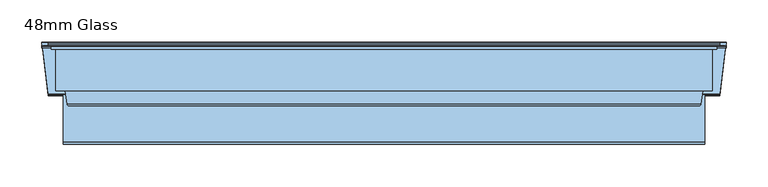
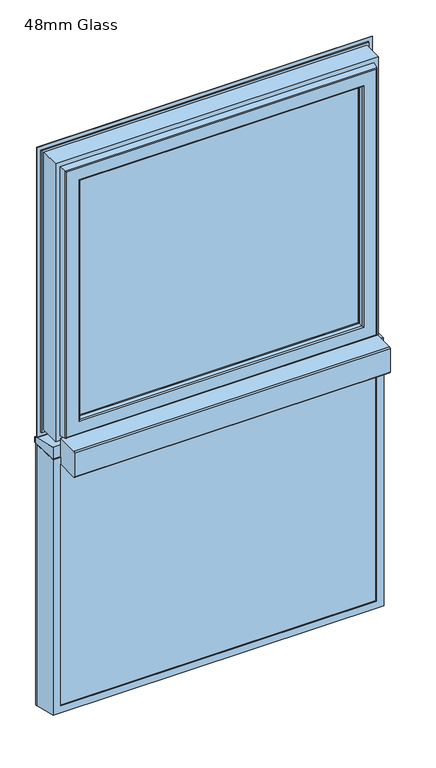
"""IFC4 building model written with IfcOpenShell, lengths in millimetres: window geometry, 48mm Glass."""

from ifc_helpers import new_model, si_unit, frame, origin, place, context, project, spatial, polyline, circle_curve, ellipse_curve, outline, extrude, source, transform, mapped, element, save
from ifc_brep_helpers import plane_surface, cylinder_surface, revolved_surface, advanced_brep


def window_48mm_glass_c2c763e5(model_context):
    return source(origin(), model_context, "Body", "SolidModel", [
        extrude(outline(polyline([(396.0, 93.0), (-396.0, 93.0), (-396.0, 141.0), (396.0, 141.0), (396.0, 93.0)])), frame((0.0, 0.0, 848.0), z_axis=(0.0, 0.0, 1.0), x_axis=(1.0, 0.0, 0.0)), (0.0, 0.0, 1.0), 646.04),
        advanced_brep(
        [(382.0, 142.3448353, 1480.04), (384.8884017, 151.7923717, 1482.9284017), (384.8884017, 151.7923717, 859.1115983), (382.0, 142.3448353, 862.0), (382.0, 141.0, 1480.04), (382.0, 141.0, 862.0), (396.0, 93.0, 1494.04), (396.0, 141.0, 1494.04), (396.0, 141.0, 848.0), (396.0, 93.0, 848.0), (382.0, 90.0, 1480.04), (382.0, 93.0, 1480.04), (382.0, 93.0, 862.0), (382.0, 90.0, 862.0), (406.822025, 145.5609347, 1504.862025), (400.0, 90.0, 1498.04), (400.0, 90.0, 844.0), (406.822025, 145.5609347, 837.177975), (407.6, 147.2, 1505.64), (407.6, 147.2, 836.4), (407.6, 150.5, 1505.64), (407.6, 150.5, 836.4), (403.22, 151.5, 1501.26), (403.22, 150.5, 1501.26), (403.22, 150.5, 840.78), (403.22, 151.5, 840.78), (402.22, 152.5, 1500.26), (402.22, 152.5, 841.78), (385.8447065, 152.5, 1483.8847065), (385.8447065, 152.5, 858.1552935), (-384.8884017, 151.7923717, 859.1115983), (-382.0, 142.3448353, 862.0), (-382.0, 141.0, 862.0), (-396.0, 141.0, 848.0), (-396.0, 93.0, 848.0), (-382.0, 93.0, 862.0), (-382.0, 90.0, 862.0), (-400.0, 90.0, 844.0), (-406.822025, 145.5609347, 837.177975), (-407.6, 147.2, 836.4), (-407.6, 150.5, 836.4), (-403.22, 150.5, 840.78), (-403.22, 151.5, 840.78), (-402.22, 152.5, 841.78), (-385.8447065, 152.5, 858.1552935), (-384.8884017, 151.7923717, 1482.9284017), (-382.0, 142.3448353, 1480.04), (-382.0, 141.0, 1480.04), (-396.0, 141.0, 1494.04), (-396.0, 93.0, 1494.04), (-382.0, 93.0, 1480.04), (-382.0, 90.0, 1480.04), (-400.0, 90.0, 1498.04), (-406.822025, 145.5609347, 1504.862025), (-407.6, 147.2, 1505.64), (-407.6, 150.5, 1505.64), (-403.22, 150.5, 1501.26), (-403.22, 151.5, 1501.26), (-402.22, 152.5, 1500.26), (-385.8447065, 152.5, 1483.8847065)],
        [
            (0, 1),
            (1, 2),
            (2, 3),
            (3, 0),
            (4, 0),
            (3, 5),
            (5, 4),
            (6, 7),
            (7, 8),
            (8, 9),
            (9, 6),
            (10, 11),
            (11, 12),
            (12, 13),
            (13, 10),
            (14, 15),
            (15, 16),
            (16, 17),
            (17, 14),
            (18, 14),
            (17, 19),
            (19, 18),
            (20, 18),
            (19, 21),
            (21, 20),
            (22, 23),
            (23, 24),
            (24, 25),
            (25, 22),
            (26, 22, ellipse_curve(frame((402.22, 151.5, 1500.26), z_axis=(0.7071067811865475, 0.0, -0.7071067811865475), x_axis=(0.7071067811865474, 0.0, 0.7071067811865476)), 1.4142136, 1.0)),
            (25, 27, ellipse_curve(frame((402.22, 151.5, 841.78), z_axis=(0.7071067811865475, 0.0, 0.7071067811865475), x_axis=(-0.7071067811865474, 0.0, 0.7071067811865476)), 1.4142136, 1.0)),
            (27, 26),
            (1, 28, ellipse_curve(frame((385.8447065, 151.5, 1483.8847065), z_axis=(0.7071067811865475, 0.0, -0.7071067811865475), x_axis=(0.7071067811865474, 0.0, 0.7071067811865476)), 1.4142136, 1.0)),
            (28, 29),
            (29, 2, ellipse_curve(frame((385.8447065, 151.5, 858.1552935), z_axis=(0.7071067811865475, 0.0, 0.7071067811865475), x_axis=(-0.7071067811865474, 0.0, 0.7071067811865476)), 1.4142136, 1.0)),
            (2, 30),
            (30, 31),
            (31, 3),
            (31, 32),
            (32, 5),
            (8, 33),
            (33, 34),
            (34, 9),
            (12, 35),
            (35, 36),
            (36, 13),
            (16, 37),
            (37, 38),
            (38, 17),
            (38, 39),
            (39, 19),
            (39, 40),
            (40, 21),
            (24, 41),
            (41, 42),
            (42, 25),
            (42, 43, ellipse_curve(frame((-402.22, 151.5, 841.78), z_axis=(0.7071067811865475, 0.0, -0.7071067811865475), x_axis=(0.7071067811865476, 0.0, 0.7071067811865474)), 1.4142136, 1.0)),
            (43, 27),
            (29, 44),
            (44, 30, ellipse_curve(frame((-385.8447065, 151.5, 858.1552935), z_axis=(0.7071067811865475, 0.0, -0.7071067811865475), x_axis=(0.7071067811865476, 0.0, 0.7071067811865474)), 1.4142136, 1.0)),
            (30, 45),
            (45, 46),
            (46, 31),
            (46, 47),
            (47, 32),
            (33, 48),
            (48, 49),
            (49, 34),
            (35, 50),
            (50, 51),
            (51, 36),
            (37, 52),
            (52, 53),
            (53, 38),
            (53, 54),
            (54, 39),
            (54, 55),
            (55, 40),
            (41, 56),
            (56, 57),
            (57, 42),
            (57, 58, ellipse_curve(frame((-402.22, 151.5, 1500.26), z_axis=(-0.7071067811865475, 0.0, -0.7071067811865475), x_axis=(0.7071067811865474, 0.0, -0.7071067811865476)), 1.4142136, 1.0)),
            (58, 43),
            (44, 59),
            (59, 45, ellipse_curve(frame((-385.8447065, 151.5, 1483.8847065), z_axis=(-0.7071067811865475, 0.0, -0.7071067811865475), x_axis=(0.7071067811865474, 0.0, -0.7071067811865476)), 1.4142136, 1.0)),
            (45, 1),
            (0, 46),
            (4, 47),
            (7, 48),
            (6, 49),
            (11, 50),
            (10, 51),
            (15, 52),
            (14, 53),
            (18, 54),
            (20, 55),
            (23, 56),
            (22, 57),
            (26, 58),
            (28, 59),
        ],
        [
            plane_surface(frame((384.8884017, 151.7923717, 1482.9284017), z_axis=(-0.9563047559630347, 0.29237170472273977, 0.0), x_axis=(0.0, 0.0, -1.0))),
            plane_surface(frame((382.0, 142.3448353, 1480.04), z_axis=(-1.0, 0.0, 0.0), x_axis=(0.0, 0.0, -1.0))),
            plane_surface(frame((396.0, 141.0, 1494.04), z_axis=(-1.0, 0.0, 0.0), x_axis=(0.0, 0.0, -1.0))),
            plane_surface(frame((382.0, 93.0, 1480.04), z_axis=(-1.0, 0.0, 0.0), x_axis=(0.0, 0.0, -1.0))),
            plane_surface(frame((400.0, 90.0, 1498.04), z_axis=(0.9925461516413231, -0.12186934340513905, 0.0), x_axis=(0.0, 0.0, -1.0))),
            plane_surface(frame((406.822025, 145.5609347, 1504.862025), z_axis=(0.9034015732556399, -0.4287955193786835, 0.0), x_axis=(0.0, 0.0, -1.0))),
            plane_surface(frame((407.6, 147.2, 1505.64), z_axis=(1.0, 0.0, 0.0), x_axis=(0.0, 0.0, -1.0))),
            plane_surface(frame((403.22, 150.5, 1501.26), z_axis=(1.0, 0.0, 0.0), x_axis=(0.0, 0.0, -1.0))),
            cylinder_surface(frame((402.22, 151.5, 1530.04), z_axis=(0.0, 0.0, 1.0), x_axis=(0.0, -1.0, 0.0)), 1.0),
            cylinder_surface(frame((385.8447065, 151.5, 1530.04), z_axis=(0.0, 0.0, 1.0), x_axis=(0.0, -1.0, 0.0)), 1.0),
            plane_surface(frame((384.8884017, 151.7923717, 859.1115983), z_axis=(0.0, 0.29237170472273977, 0.9563047559630347), x_axis=(-1.0, 0.0, 0.0))),
            plane_surface(frame((382.0, 142.3448353, 862.0), z_axis=(0.0, 0.0, 1.0), x_axis=(-1.0, 0.0, 0.0))),
            plane_surface(frame((396.0, 141.0, 848.0), z_axis=(0.0, 0.0, 1.0), x_axis=(-1.0, 0.0, 0.0))),
            plane_surface(frame((382.0, 93.0, 862.0), z_axis=(0.0, 0.0, 1.0), x_axis=(-1.0, 0.0, 0.0))),
            plane_surface(frame((400.0, 90.0, 844.0), z_axis=(0.0, -0.12186934340513905, -0.9925461516413231), x_axis=(-1.0, 0.0, 0.0))),
            plane_surface(frame((406.822025, 145.5609347, 837.177975), z_axis=(0.0, -0.4287955193786835, -0.9034015732556399), x_axis=(-1.0, 0.0, 0.0))),
            plane_surface(frame((407.6, 147.2, 836.4), z_axis=(0.0, 0.0, -1.0), x_axis=(-1.0, 0.0, 0.0))),
            plane_surface(frame((403.22, 150.5, 840.78), z_axis=(0.0, 0.0, -1.0), x_axis=(-1.0, 0.0, 0.0))),
            cylinder_surface(frame((432.0, 151.5, 841.78), z_axis=(1.0, 0.0, 0.0), x_axis=(0.0, -1.0, 0.0)), 1.0),
            cylinder_surface(frame((432.0, 151.5, 858.1552935), z_axis=(1.0, 0.0, 0.0), x_axis=(0.0, -1.0, 0.0)), 1.0),
            plane_surface(frame((-384.8884017, 151.7923717, 859.1115983), z_axis=(0.9563047559630347, 0.29237170472273977, 0.0), x_axis=(0.0, 0.0, 1.0))),
            plane_surface(frame((-382.0, 142.3448353, 862.0), z_axis=(1.0, 0.0, 0.0), x_axis=(0.0, 0.0, 1.0))),
            plane_surface(frame((-396.0, 141.0, 848.0), z_axis=(1.0, 0.0, 0.0), x_axis=(0.0, 0.0, 1.0))),
            plane_surface(frame((-382.0, 93.0, 862.0), z_axis=(1.0, 0.0, 0.0), x_axis=(0.0, 0.0, 1.0))),
            plane_surface(frame((-400.0, 90.0, 844.0), z_axis=(-0.9925461516413231, -0.12186934340513905, 0.0), x_axis=(0.0, 0.0, 1.0))),
            plane_surface(frame((-406.822025, 145.5609347, 837.177975), z_axis=(-0.9034015732556399, -0.4287955193786835, 0.0), x_axis=(0.0, 0.0, 1.0))),
            plane_surface(frame((-407.6, 147.2, 836.4), z_axis=(-1.0, 0.0, 0.0), x_axis=(0.0, 0.0, 1.0))),
            plane_surface(frame((-403.22, 150.5, 840.78), z_axis=(-1.0, 0.0, 0.0), x_axis=(0.0, 0.0, 1.0))),
            cylinder_surface(frame((-402.22, 151.5, 812.0), z_axis=(0.0, 0.0, -1.0), x_axis=(0.0, -1.0, 0.0)), 1.0),
            cylinder_surface(frame((-385.8447065, 151.5, 812.0), z_axis=(0.0, 0.0, -1.0), x_axis=(0.0, -1.0, 0.0)), 1.0),
            plane_surface(frame((-384.8884017, 151.7923717, 1482.9284017), z_axis=(0.0, 0.29237170472273977, -0.9563047559630347), x_axis=(1.0, 0.0, 0.0))),
            plane_surface(frame((-382.0, 142.3448353, 1480.04), z_axis=(0.0, 0.0, -1.0), x_axis=(1.0, 0.0, 0.0))),
            plane_surface(frame((-382.0, 141.0, 1480.04), z_axis=(0.0, -1.0, 0.0), x_axis=(1.0, 0.0, 0.0))),
            plane_surface(frame((-396.0, 141.0, 1494.04), z_axis=(0.0, 0.0, -1.0), x_axis=(1.0, 0.0, 0.0))),
            plane_surface(frame((-396.0, 93.0, 1494.04), z_axis=(0.0, 1.0, 0.0), x_axis=(1.0, 0.0, 0.0))),
            plane_surface(frame((-382.0, 93.0, 1480.04), z_axis=(0.0, 0.0, -1.0), x_axis=(1.0, 0.0, 0.0))),
            plane_surface(frame((-382.0, 90.0, 1480.04), z_axis=(0.0, -1.0, 0.0), x_axis=(1.0, 0.0, 0.0))),
            plane_surface(frame((-400.0, 90.0, 1498.04), z_axis=(0.0, -0.12186934340513905, 0.9925461516413231), x_axis=(1.0, 0.0, 0.0))),
            plane_surface(frame((-406.822025, 145.5609347, 1504.862025), z_axis=(0.0, -0.4287955193786835, 0.9034015732556399), x_axis=(1.0, 0.0, 0.0))),
            plane_surface(frame((-407.6, 147.2, 1505.64), z_axis=(0.0, 0.0, 1.0), x_axis=(1.0, 0.0, 0.0))),
            plane_surface(frame((-407.6, 150.5, 1505.64), z_axis=(0.0, 1.0, 0.0), x_axis=(1.0, 0.0, 0.0))),
            plane_surface(frame((-403.22, 150.5, 1501.26), z_axis=(0.0, 0.0, 1.0), x_axis=(1.0, 0.0, 0.0))),
            cylinder_surface(frame((-432.0, 151.5, 1500.26), z_axis=(-1.0, 0.0, 0.0), x_axis=(0.0, -1.0, 0.0)), 1.0),
            plane_surface(frame((-402.22, 152.5, 1500.26), z_axis=(0.0, 1.0, 0.0), x_axis=(1.0, 0.0, 0.0))),
            cylinder_surface(frame((-432.0, 151.5, 1483.8847065), z_axis=(-1.0, 0.0, 0.0), x_axis=(0.0, -1.0, 0.0)), 1.0),
        ],
        [
            (0, [[1, 2, 3, 4]]),
            (1, [[5, -4, 6, 7]]),
            (2, [[8, 9, 10, 11]]),
            (3, [[12, 13, 14, 15]]),
            (4, [[16, 17, 18, 19]]),
            (5, [[20, -19, 21, 22]]),
            (6, [[23, -22, 24, 25]]),
            (7, [[26, 27, 28, 29]]),
            (8, [[30, -29, 31, 32]]),
            (9, [[33, 34, 35, -2]]),
            (10, [[-3, 36, 37, 38]]),
            (11, [[-6, -38, 39, 40]]),
            (12, [[-10, 41, 42, 43]]),
            (13, [[-14, 44, 45, 46]]),
            (14, [[-18, 47, 48, 49]]),
            (15, [[-21, -49, 50, 51]]),
            (16, [[-24, -51, 52, 53]]),
            (17, [[-28, 54, 55, 56]]),
            (18, [[-31, -56, 57, 58]]),
            (19, [[-35, 59, 60, -36]]),
            (20, [[-37, 61, 62, 63]]),
            (21, [[-39, -63, 64, 65]]),
            (22, [[-42, 66, 67, 68]]),
            (23, [[-45, 69, 70, 71]]),
            (24, [[-48, 72, 73, 74]]),
            (25, [[-50, -74, 75, 76]]),
            (26, [[-52, -76, 77, 78]]),
            (27, [[-55, 79, 80, 81]]),
            (28, [[-57, -81, 82, 83]]),
            (29, [[-60, 84, 85, -61]]),
            (30, [[-62, 86, -1, 87]]),
            (31, [[-64, -87, -5, 88]]),
            (32, [[89, -66, -41, -9], [-40, -65, -88, -7]]),
            (33, [[-67, -89, -8, 90]]),
            (34, [[-43, -68, -90, -11], [91, -69, -44, -13]]),
            (35, [[-70, -91, -12, 92]]),
            (36, [[93, -72, -47, -17], [-46, -71, -92, -15]]),
            (37, [[-73, -93, -16, 94]]),
            (38, [[-75, -94, -20, 95]]),
            (39, [[-77, -95, -23, 96]]),
            (40, [[-53, -78, -96, -25], [97, -79, -54, -27]]),
            (41, [[-80, -97, -26, 98]]),
            (42, [[-82, -98, -30, 99]]),
            (43, [[-58, -83, -99, -32], [100, -84, -59, -34]]),
            (44, [[-85, -100, -33, -86]]),
        ],
    ),
        extrude(outline(polyline([(354.0, 93.0110098), (-354.0, 93.0110098), (-354.0, 141.0110098), (354.0, 141.0110098), (354.0, 93.0110098)])), frame((0.0, 0.0, 1574.04), z_axis=(0.0, 0.0, 1.0), x_axis=(1.0, 0.0, 0.0)), (0.0, 0.0, 1.0), 635.96),
        advanced_brep(
        [(396.5, 148.6168436, 2252.5), (396.5, 145.5999985, 2252.5), (396.5, 145.5999985, 1531.54), (396.5, 148.6168436, 1531.54), (399.0, 153.0, 2255.0), (400.0, 152.0, 2256.0), (400.0, 152.0, 1528.04), (399.0, 153.0, 1529.04), (340.0012615, 141.0, 2196.0012615), (340.0012615, 142.3599713, 2196.0012615), (340.0012615, 142.3599713, 1588.0387385), (340.0012615, 141.0, 1588.0387385), (358.3697055, 93.0110098, 2214.3697055), (364.2620126, 141.0, 2220.2620126), (364.2620126, 141.0, 1563.7779874), (358.3697055, 93.0110098, 1569.6702945), (340.0013518, 90.0110098, 2196.0013518), (340.0013518, 93.0110098, 2196.0013518), (340.0013518, 93.0110098, 1588.0386482), (340.0013518, 90.0110098, 1588.0386482), (340.0232044, 88.8030982, 2196.0232044), (341.001352, 90.0110098, 2197.001352), (341.001352, 90.0110098, 1587.038648), (340.0232044, 88.8030982, 1588.0167956), (341.8120427, 80.376265, 2197.8120427), (341.8120427, 80.376265, 1586.2279573), (344.7464855, 78.0, 2200.7464855), (344.7464855, 78.0, 1583.2935145), (377.5618051, 79.7562613, 2233.5618051), (375.5767128, 78.0, 2231.5767128), (375.5767128, 78.0, 1552.4632872), (377.5618051, 79.7562613, 1550.4781949), (379.5562854, 96.0, 2235.5562854), (379.5562854, 96.0, 1548.4837146), (391.0, 145.5999985, 2247.0), (391.0, 96.0, 2247.0), (391.0, 96.0, 1537.04), (391.0, 145.5999985, 1537.04), (-396.5, 145.5999985, 1531.54), (-396.5, 148.6168436, 1531.54), (-400.0, 152.0, 1528.04), (-399.0, 153.0, 1529.04), (-340.0012615, 142.3599713, 1588.0387385), (-340.0012615, 141.0, 1588.0387385), (-364.2620126, 141.0, 1563.7779874), (-358.3697055, 93.0110098, 1569.6702945), (-340.0013518, 93.0110098, 1588.0386482), (-340.0013518, 90.0110098, 1588.0386482), (-341.001352, 90.0110098, 1587.038648), (-340.0232044, 88.8030982, 1588.0167956), (-341.8120427, 80.376265, 1586.2279573), (-344.7464855, 78.0, 1583.2935145), (-375.5767128, 78.0, 1552.4632872), (-377.5618051, 79.7562613, 1550.4781949), (-379.5562854, 96.0, 1548.4837146), (-391.0, 96.0, 1537.04), (-391.0, 145.5999985, 1537.04), (-396.5, 145.5999985, 2252.5), (-396.5, 148.6168436, 2252.5), (-400.0, 152.0, 2256.0), (-399.0, 153.0, 2255.0), (-340.0012615, 142.3599713, 2196.0012615), (-340.0012615, 141.0, 2196.0012615), (-364.2620126, 141.0, 2220.2620126), (-358.3697055, 93.0110098, 2214.3697055), (-340.0013518, 93.0110098, 2196.0013518), (-340.0013518, 90.0110098, 2196.0013518), (-341.001352, 90.0110098, 2197.001352), (-340.0232044, 88.8030982, 2196.0232044), (-341.8120427, 80.376265, 2197.8120427), (-344.7464855, 78.0, 2200.7464855), (-375.5767128, 78.0, 2231.5767128), (-377.5618051, 79.7562613, 2233.5618051), (-379.5562854, 96.0, 2235.5562854), (-391.0, 96.0, 2247.0), (-391.0, 145.5999985, 2247.0), (406.1997151, 149.6865589, 1521.8402849), (-406.1997151, 149.6865589, 1521.8402849), (-406.1997151, 149.6865589, 2262.1997151), (406.1997151, 149.6865589, 2262.1997151), (400.0, 149.6865589, 2256.0), (-400.0, 149.6865589, 2256.0), (-400.0, 149.6865589, 1528.04), (400.0, 149.6865589, 1528.04), (406.1997151, 148.6168436, 2262.1997151), (406.1997151, 148.6168436, 1521.8402849), (-406.1997151, 148.6168436, 1521.8402849), (-406.1997151, 148.6168436, 2262.1997151), (342.8249234, 151.5957532, 2198.8249234), (344.5279664, 153.0, 2200.5279664), (344.5279664, 153.0, 1583.5120336), (342.8249234, 151.5957532, 1585.2150766), (-344.5279664, 153.0, 1583.5120336), (-342.8249234, 151.5957532, 1585.2150766), (-344.5279664, 153.0, 2200.5279664), (-342.8249234, 151.5957532, 2198.8249234)],
        [
            (0, 1),
            (1, 2),
            (2, 3),
            (3, 0),
            (4, 5, ellipse_curve(frame((399.0, 152.0, 2255.0), z_axis=(0.7071067811865475, 0.0, -0.7071067811865475), x_axis=(0.7071067811865474, 0.0, 0.7071067811865476)), 1.4142136, 1.0)),
            (5, 6),
            (6, 7, ellipse_curve(frame((399.0, 152.0, 1529.04), z_axis=(0.7071067811865475, 0.0, 0.7071067811865475), x_axis=(-0.7071067811865474, 0.0, 0.7071067811865476)), 1.4142136, 1.0)),
            (7, 4),
            (8, 9),
            (9, 10),
            (10, 11),
            (11, 8),
            (12, 13),
            (13, 14),
            (14, 15),
            (15, 12),
            (16, 17),
            (17, 18),
            (18, 19),
            (19, 16),
            (20, 21, ellipse_curve(frame((341.001352, 89.0110098, 2197.001352), z_axis=(0.7071067811865475, 0.0, -0.7071067811865475), x_axis=(0.7071067811865474, 0.0, 0.7071067811865476)), 1.4142136, 1.0)),
            (21, 22),
            (22, 23, ellipse_curve(frame((341.001352, 89.0110098, 1587.038648), z_axis=(0.7071067811865475, 0.0, 0.7071067811865475), x_axis=(-0.7071067811865474, 0.0, 0.7071067811865476)), 1.4142136, 1.0)),
            (23, 20),
            (24, 20),
            (23, 25),
            (25, 24),
            (26, 24, ellipse_curve(frame((344.7464855, 81.0, 2200.7464855), z_axis=(0.7071067811865475, 0.0, -0.7071067811865475), x_axis=(0.7071067811865474, 0.0, 0.7071067811865476)), 4.2426407, 3.0)),
            (25, 27, ellipse_curve(frame((344.7464855, 81.0, 1583.2935145), z_axis=(0.7071067811865475, 0.0, 0.7071067811865475), x_axis=(-0.7071067811865474, 0.0, 0.7071067811865476)), 4.2426407, 3.0)),
            (27, 26),
            (28, 29, ellipse_curve(frame((375.5767128, 80.0, 2231.5767128), z_axis=(0.7071067811865475, 0.0, -0.7071067811865475), x_axis=(0.7071067811865474, 0.0, 0.7071067811865476)), 2.8284271, 2.0)),
            (29, 30),
            (30, 31, ellipse_curve(frame((375.5767128, 80.0, 1552.4632872), z_axis=(0.7071067811865475, 0.0, 0.7071067811865475), x_axis=(-0.7071067811865474, 0.0, 0.7071067811865476)), 2.8284271, 2.0)),
            (31, 28),
            (32, 28),
            (31, 33),
            (33, 32),
            (34, 35),
            (35, 36),
            (36, 37),
            (37, 34),
            (2, 38),
            (38, 39),
            (39, 3),
            (6, 40),
            (40, 41, ellipse_curve(frame((-399.0, 152.0, 1529.04), z_axis=(0.7071067811865475, 0.0, -0.7071067811865475), x_axis=(0.7071067811865476, 0.0, 0.7071067811865474)), 1.4142136, 1.0)),
            (41, 7),
            (10, 42),
            (42, 43),
            (43, 11),
            (14, 44),
            (44, 45),
            (45, 15),
            (18, 46),
            (46, 47),
            (47, 19),
            (22, 48),
            (48, 49, ellipse_curve(frame((-341.001352, 89.0110098, 1587.038648), z_axis=(0.7071067811865475, 0.0, -0.7071067811865475), x_axis=(0.7071067811865476, 0.0, 0.7071067811865474)), 1.4142136, 1.0)),
            (49, 23),
            (49, 50),
            (50, 25),
            (50, 51, ellipse_curve(frame((-344.7464855, 81.0, 1583.2935145), z_axis=(0.7071067811865475, 0.0, -0.7071067811865475), x_axis=(0.7071067811865476, 0.0, 0.7071067811865474)), 4.2426407, 3.0)),
            (51, 27),
            (30, 52),
            (52, 53, ellipse_curve(frame((-375.5767128, 80.0, 1552.4632872), z_axis=(0.7071067811865475, 0.0, -0.7071067811865475), x_axis=(0.7071067811865476, 0.0, 0.7071067811865474)), 2.8284271, 2.0)),
            (53, 31),
            (53, 54),
            (54, 33),
            (36, 55),
            (55, 56),
            (56, 37),
            (38, 57),
            (57, 58),
            (58, 39),
            (40, 59),
            (59, 60, ellipse_curve(frame((-399.0, 152.0, 2255.0), z_axis=(-0.7071067811865475, 0.0, -0.7071067811865475), x_axis=(0.7071067811865474, 0.0, -0.7071067811865476)), 1.4142136, 1.0)),
            (60, 41),
            (42, 61),
            (61, 62),
            (62, 43),
            (44, 63),
            (63, 64),
            (64, 45),
            (46, 65),
            (65, 66),
            (66, 47),
            (48, 67),
            (67, 68, ellipse_curve(frame((-341.001352, 89.0110098, 2197.001352), z_axis=(-0.7071067811865475, 0.0, -0.7071067811865475), x_axis=(0.7071067811865474, 0.0, -0.7071067811865476)), 1.4142136, 1.0)),
            (68, 49),
            (68, 69),
            (69, 50),
            (69, 70, ellipse_curve(frame((-344.7464855, 81.0, 2200.7464855), z_axis=(-0.7071067811865475, 0.0, -0.7071067811865475), x_axis=(0.7071067811865474, 0.0, -0.7071067811865476)), 4.2426407, 3.0)),
            (70, 51),
            (52, 71),
            (71, 72, ellipse_curve(frame((-375.5767128, 80.0, 2231.5767128), z_axis=(-0.7071067811865475, 0.0, -0.7071067811865475), x_axis=(0.7071067811865474, 0.0, -0.7071067811865476)), 2.8284271, 2.0)),
            (72, 53),
            (72, 73),
            (73, 54),
            (55, 74),
            (74, 75),
            (75, 56),
            (1, 57),
            (75, 34),
            (0, 58),
            (76, 77),
            (77, 78),
            (78, 79),
            (79, 76),
            (80, 81),
            (81, 82),
            (82, 83),
            (83, 80),
            (59, 5),
            (4, 60),
            (61, 9),
            (8, 62),
            (13, 63),
            (12, 64),
            (17, 65),
            (16, 66),
            (21, 67),
            (20, 68),
            (24, 69),
            (26, 70),
            (29, 71),
            (28, 72),
            (32, 73),
            (35, 74),
            (79, 84),
            (84, 85),
            (85, 76),
            (5, 80),
            (83, 6),
            (85, 86),
            (86, 77),
            (82, 40),
            (86, 87),
            (87, 78),
            (81, 59),
            (84, 87),
            (88, 89, ellipse_curve(frame((344.7375329, 151.0110098, 2200.7375329), z_axis=(0.7071067811865475, 0.0, -0.7071067811865475), x_axis=(0.7071067811865474, 0.0, 0.7071067811865476)), 2.8284271, 2.0)),
            (89, 90),
            (90, 91, ellipse_curve(frame((344.7375329, 151.0110098, 1583.3024671), z_axis=(0.7071067811865475, 0.0, 0.7071067811865475), x_axis=(-0.7071067811865474, 0.0, 0.7071067811865476)), 2.8284271, 2.0)),
            (91, 88),
            (9, 88),
            (91, 10),
            (90, 92),
            (92, 93, ellipse_curve(frame((-344.7375329, 151.0110098, 1583.3024671), z_axis=(0.7071067811865475, 0.0, -0.7071067811865475), x_axis=(0.7071067811865476, 0.0, 0.7071067811865474)), 2.8284271, 2.0)),
            (93, 91),
            (93, 42),
            (92, 94),
            (94, 95, ellipse_curve(frame((-344.7375329, 151.0110098, 2200.7375329), z_axis=(-0.7071067811865475, 0.0, -0.7071067811865475), x_axis=(0.7071067811865474, 0.0, -0.7071067811865476)), 2.8284271, 2.0)),
            (95, 93),
            (95, 61),
            (89, 94),
            (88, 95),
        ],
        [
            plane_surface(frame((396.5, 145.5999985, 2252.5), z_axis=(1.0, 0.0, 0.0), x_axis=(0.0, 0.0, -1.0))),
            cylinder_surface(frame((399.0, 152.0, 2247.0), z_axis=(0.0, 0.0, 1.0), x_axis=(0.0, -1.0, 0.0)), 1.0),
            plane_surface(frame((340.0012615, 142.3599713, 2196.0012615), z_axis=(-1.0, 0.0, 0.0), x_axis=(0.0, 0.0, -1.0))),
            plane_surface(frame((364.2620126, 141.0, 2220.2620126), z_axis=(-0.9925461516413232, 0.12186934340513839, 0.0), x_axis=(0.0, 0.0, -1.0))),
            plane_surface(frame((340.0013518, 93.0110098, 2196.0013518), z_axis=(-1.0, 0.0, 0.0), x_axis=(0.0, 0.0, -1.0))),
            cylinder_surface(frame((341.001352, 89.0110098, 2247.0), z_axis=(0.0, 0.0, 1.0), x_axis=(0.0, -1.0, 0.0)), 1.0),
            plane_surface(frame((340.0232044, 88.8030982, 2196.0232044), z_axis=(-0.9782028159557521, -0.2076517538000511, 0.0), x_axis=(0.0, 0.0, -1.0))),
            cylinder_surface(frame((344.7464855, 81.0, 2247.0), z_axis=(0.0, 0.0, 1.0), x_axis=(0.0, -1.0, 0.0)), 3.0),
            cylinder_surface(frame((375.5767128, 80.0, 2247.0), z_axis=(0.0, 0.0, 1.0), x_axis=(0.0, -1.0, 0.0)), 2.0),
            plane_surface(frame((377.5618051, 79.7562613, 2233.5618051), z_axis=(0.9925461516416152, -0.12186934340276044, 0.0), x_axis=(0.0, 0.0, -1.0))),
            plane_surface(frame((391.0, 96.0, 2247.0), z_axis=(1.0, 0.0, 0.0), x_axis=(0.0, 0.0, -1.0))),
            plane_surface(frame((396.5, 145.5999985, 1531.54), z_axis=(0.0, 0.0, -1.0), x_axis=(-1.0, 0.0, 0.0))),
            cylinder_surface(frame((391.0, 152.0, 1529.04), z_axis=(1.0, 0.0, 0.0), x_axis=(0.0, -1.0, 0.0)), 1.0),
            plane_surface(frame((340.0012615, 142.3599713, 1588.0387385), z_axis=(0.0, 0.0, 1.0), x_axis=(-1.0, 0.0, 0.0))),
            plane_surface(frame((364.2620126, 141.0, 1563.7779874), z_axis=(0.0, 0.12186934340513839, 0.9925461516413232), x_axis=(-1.0, 0.0, 0.0))),
            plane_surface(frame((340.0013518, 93.0110098, 1588.0386482), z_axis=(0.0, 0.0, 1.0), x_axis=(-1.0, 0.0, 0.0))),
            cylinder_surface(frame((391.0, 89.0110098, 1587.038648), z_axis=(1.0, 0.0, 0.0), x_axis=(0.0, -1.0, 0.0)), 1.0),
            plane_surface(frame((340.0232044, 88.8030982, 1588.0167956), z_axis=(0.0, -0.2076517538000511, 0.9782028159557521), x_axis=(-1.0, 0.0, 0.0))),
            cylinder_surface(frame((391.0, 81.0, 1583.2935145), z_axis=(1.0, 0.0, 0.0), x_axis=(0.0, -1.0, 0.0)), 3.0),
            cylinder_surface(frame((391.0, 80.0, 1552.4632872), z_axis=(1.0, 0.0, 0.0), x_axis=(0.0, -1.0, 0.0)), 2.0),
            plane_surface(frame((377.5618051, 79.7562613, 1550.4781949), z_axis=(0.0, -0.12186934340276044, -0.9925461516416152), x_axis=(-1.0, 0.0, 0.0))),
            plane_surface(frame((391.0, 96.0, 1537.04), z_axis=(0.0, 0.0, -1.0), x_axis=(-1.0, 0.0, 0.0))),
            plane_surface(frame((-396.5, 145.5999985, 1531.54), z_axis=(-1.0, 0.0, 0.0), x_axis=(0.0, 0.0, 1.0))),
            cylinder_surface(frame((-399.0, 152.0, 1537.04), z_axis=(0.0, 0.0, -1.0), x_axis=(0.0, -1.0, 0.0)), 1.0),
            plane_surface(frame((-340.0012615, 142.3599713, 1588.0387385), z_axis=(1.0, 0.0, 0.0), x_axis=(0.0, 0.0, 1.0))),
            plane_surface(frame((-364.2620126, 141.0, 1563.7779874), z_axis=(0.9925461516413232, 0.12186934340513839, 0.0), x_axis=(0.0, 0.0, 1.0))),
            plane_surface(frame((-340.0013518, 93.0110098, 1588.0386482), z_axis=(1.0, 0.0, 0.0), x_axis=(0.0, 0.0, 1.0))),
            cylinder_surface(frame((-341.001352, 89.0110098, 1537.04), z_axis=(0.0, 0.0, -1.0), x_axis=(0.0, -1.0, 0.0)), 1.0),
            plane_surface(frame((-340.0232044, 88.8030982, 1588.0167956), z_axis=(0.9782028159557521, -0.2076517538000511, 0.0), x_axis=(0.0, 0.0, 1.0))),
            cylinder_surface(frame((-344.7464855, 81.0, 1537.04), z_axis=(0.0, 0.0, -1.0), x_axis=(0.0, -1.0, 0.0)), 3.0),
            cylinder_surface(frame((-375.5767128, 80.0, 1537.04), z_axis=(0.0, 0.0, -1.0), x_axis=(0.0, -1.0, 0.0)), 2.0),
            plane_surface(frame((-377.5618051, 79.7562613, 1550.4781949), z_axis=(-0.9925461516416152, -0.12186934340276044, 0.0), x_axis=(0.0, 0.0, 1.0))),
            plane_surface(frame((-391.0, 96.0, 1537.04), z_axis=(-1.0, 0.0, 0.0), x_axis=(0.0, 0.0, 1.0))),
            plane_surface(frame((-391.0, 145.5999985, 2247.0), z_axis=(0.0, -1.0, 0.0), x_axis=(1.0, 0.0, 0.0))),
            plane_surface(frame((-396.5, 145.5999985, 2252.5), z_axis=(0.0, 0.0, 1.0), x_axis=(1.0, 0.0, 0.0))),
            plane_surface(frame((-406.1997151, 149.6865589, 2262.1997151), z_axis=(0.0, 1.0, 0.0), x_axis=(1.0, 0.0, 0.0))),
            cylinder_surface(frame((-391.0, 152.0, 2255.0), z_axis=(-1.0, 0.0, 0.0), x_axis=(0.0, -1.0, 0.0)), 1.0),
            plane_surface(frame((-340.0012615, 142.3599713, 2196.0012615), z_axis=(0.0, 0.0, -1.0), x_axis=(1.0, 0.0, 0.0))),
            plane_surface(frame((-340.0012615, 141.0, 2196.0012615), z_axis=(0.0, -1.0, 0.0), x_axis=(1.0, 0.0, 0.0))),
            plane_surface(frame((-364.2620126, 141.0, 2220.2620126), z_axis=(0.0, 0.12186934340513839, -0.9925461516413232), x_axis=(1.0, 0.0, 0.0))),
            plane_surface(frame((-358.3697055, 93.0110098, 2214.3697055), z_axis=(0.0, 1.0, 0.0), x_axis=(1.0, 0.0, 0.0))),
            plane_surface(frame((-340.0013518, 93.0110098, 2196.0013518), z_axis=(0.0, 0.0, -1.0), x_axis=(1.0, 0.0, 0.0))),
            plane_surface(frame((-340.0013518, 90.0110098, 2196.0013518), z_axis=(0.0, -1.0, 0.0), x_axis=(1.0, 0.0, 0.0))),
            cylinder_surface(frame((-391.0, 89.0110098, 2197.001352), z_axis=(-1.0, 0.0, 0.0), x_axis=(0.0, -1.0, 0.0)), 1.0),
            plane_surface(frame((-340.0232044, 88.8030982, 2196.0232044), z_axis=(0.0, -0.2076517538000511, -0.9782028159557521), x_axis=(1.0, 0.0, 0.0))),
            cylinder_surface(frame((-391.0, 81.0, 2200.7464855), z_axis=(-1.0, 0.0, 0.0), x_axis=(0.0, -1.0, 0.0)), 3.0),
            plane_surface(frame((-344.7464855, 78.0, 2200.7464855), z_axis=(0.0, -1.0, 0.0), x_axis=(1.0, 0.0, 0.0))),
            cylinder_surface(frame((-391.0, 80.0, 2231.5767128), z_axis=(-1.0, 0.0, 0.0), x_axis=(0.0, -1.0, 0.0)), 2.0),
            plane_surface(frame((-377.5618051, 79.7562613, 2233.5618051), z_axis=(0.0, -0.12186934340276044, 0.9925461516416152), x_axis=(1.0, 0.0, 0.0))),
            plane_surface(frame((-379.5562854, 96.0, 2235.5562854), z_axis=(0.0, -1.0, 0.0), x_axis=(1.0, 0.0, 0.0))),
            plane_surface(frame((-391.0, 96.0, 2247.0), z_axis=(0.0, 0.0, 1.0), x_axis=(1.0, 0.0, 0.0))),
            plane_surface(frame((406.1997151, 148.6168436, 2262.1997151), z_axis=(1.0, 0.0, 0.0), x_axis=(0.0, 0.0, -1.0))),
            plane_surface(frame((400.0, 149.6865589, 2256.0), z_axis=(1.0, 0.0, 0.0), x_axis=(0.0, 0.0, -1.0))),
            plane_surface(frame((406.1997151, 148.6168436, 1521.8402849), z_axis=(0.0, 0.0, -1.0), x_axis=(-1.0, 0.0, 0.0))),
            plane_surface(frame((400.0, 149.6865589, 1528.04), z_axis=(0.0, 0.0, -1.0), x_axis=(-1.0, 0.0, 0.0))),
            plane_surface(frame((-406.1997151, 148.6168436, 1521.8402849), z_axis=(-1.0, 0.0, 0.0), x_axis=(0.0, 0.0, 1.0))),
            plane_surface(frame((-400.0, 149.6865589, 1528.04), z_axis=(-1.0, 0.0, 0.0), x_axis=(0.0, 0.0, 1.0))),
            plane_surface(frame((-396.5, 148.6168436, 2252.5), z_axis=(0.0, -1.0, 0.0), x_axis=(1.0, 0.0, 0.0))),
            plane_surface(frame((-406.1997151, 148.6168436, 2262.1997151), z_axis=(0.0, 0.0, 1.0), x_axis=(1.0, 0.0, 0.0))),
            plane_surface(frame((-400.0, 149.6865589, 2256.0), z_axis=(0.0, 0.0, 1.0), x_axis=(1.0, 0.0, 0.0))),
            cylinder_surface(frame((344.7375329, 151.0110098, 2247.0), z_axis=(0.0, 0.0, 1.0), x_axis=(0.0, -1.0, 0.0)), 2.0),
            plane_surface(frame((342.8249234, 151.5957532, 2198.8249234), z_axis=(-0.9563047559630313, 0.2923717047227505, 0.0), x_axis=(0.0, 0.0, -1.0))),
            cylinder_surface(frame((391.0, 151.0110098, 1583.3024671), z_axis=(1.0, 0.0, 0.0), x_axis=(0.0, -1.0, 0.0)), 2.0),
            plane_surface(frame((342.8249234, 151.5957532, 1585.2150766), z_axis=(0.0, 0.2923717047227505, 0.9563047559630313), x_axis=(-1.0, 0.0, 0.0))),
            cylinder_surface(frame((-344.7375329, 151.0110098, 1537.04), z_axis=(0.0, 0.0, -1.0), x_axis=(0.0, -1.0, 0.0)), 2.0),
            plane_surface(frame((-342.8249234, 151.5957532, 1585.2150766), z_axis=(0.9563047559630313, 0.2923717047227505, 0.0), x_axis=(0.0, 0.0, 1.0))),
            plane_surface(frame((-399.0, 153.0, 2255.0), z_axis=(0.0, 1.0, 0.0), x_axis=(1.0, 0.0, 0.0))),
            cylinder_surface(frame((-391.0, 151.0110098, 2200.7375329), z_axis=(-1.0, 0.0, 0.0), x_axis=(0.0, -1.0, 0.0)), 2.0),
            plane_surface(frame((-342.8249234, 151.5957532, 2198.8249234), z_axis=(0.0, 0.2923717047227505, -0.9563047559630313), x_axis=(1.0, 0.0, 0.0))),
        ],
        [
            (0, [[1, 2, 3, 4]]),
            (1, [[5, 6, 7, 8]]),
            (2, [[9, 10, 11, 12]]),
            (3, [[13, 14, 15, 16]]),
            (4, [[17, 18, 19, 20]]),
            (5, [[21, 22, 23, 24]]),
            (6, [[25, -24, 26, 27]]),
            (7, [[28, -27, 29, 30]]),
            (8, [[31, 32, 33, 34]]),
            (9, [[35, -34, 36, 37]]),
            (10, [[38, 39, 40, 41]]),
            (11, [[-3, 42, 43, 44]]),
            (12, [[-7, 45, 46, 47]]),
            (13, [[-11, 48, 49, 50]]),
            (14, [[-15, 51, 52, 53]]),
            (15, [[-19, 54, 55, 56]]),
            (16, [[-23, 57, 58, 59]]),
            (17, [[-26, -59, 60, 61]]),
            (18, [[-29, -61, 62, 63]]),
            (19, [[-33, 64, 65, 66]]),
            (20, [[-36, -66, 67, 68]]),
            (21, [[-40, 69, 70, 71]]),
            (22, [[-43, 72, 73, 74]]),
            (23, [[-46, 75, 76, 77]]),
            (24, [[-49, 78, 79, 80]]),
            (25, [[-52, 81, 82, 83]]),
            (26, [[-55, 84, 85, 86]]),
            (27, [[-58, 87, 88, 89]]),
            (28, [[-60, -89, 90, 91]]),
            (29, [[-62, -91, 92, 93]]),
            (30, [[-65, 94, 95, 96]]),
            (31, [[-67, -96, 97, 98]]),
            (32, [[-70, 99, 100, 101]]),
            (33, [[102, -72, -42, -2], [-71, -101, 103, -41]]),
            (34, [[-73, -102, -1, 104]]),
            (35, [[105, 106, 107, 108], [109, 110, 111, 112]]),
            (36, [[-76, 113, -5, 114]]),
            (37, [[-79, 115, -9, 116]]),
            (38, [[117, -81, -51, -14], [-50, -80, -116, -12]]),
            (39, [[-82, -117, -13, 118]]),
            (40, [[-53, -83, -118, -16], [119, -84, -54, -18]]),
            (41, [[-85, -119, -17, 120]]),
            (42, [[121, -87, -57, -22], [-56, -86, -120, -20]]),
            (43, [[-88, -121, -21, 122]]),
            (44, [[-90, -122, -25, 123]]),
            (45, [[-92, -123, -28, 124]]),
            (46, [[125, -94, -64, -32], [-63, -93, -124, -30]]),
            (47, [[-95, -125, -31, 126]]),
            (48, [[-97, -126, -35, 127]]),
            (49, [[128, -99, -69, -39], [-68, -98, -127, -37]]),
            (50, [[-100, -128, -38, -103]]),
            (51, [[129, 130, 131, -108]]),
            (52, [[132, -112, 133, -6]]),
            (53, [[-131, 134, 135, -105]]),
            (54, [[-133, -111, 136, -45]]),
            (55, [[-135, 137, 138, -106]]),
            (56, [[-136, -110, 139, -75]]),
            (57, [[140, -137, -134, -130], [-44, -74, -104, -4]]),
            (58, [[-138, -140, -129, -107]]),
            (59, [[-139, -109, -132, -113]]),
            (60, [[141, 142, 143, 144]]),
            (61, [[145, -144, 146, -10]]),
            (62, [[-143, 147, 148, 149]]),
            (63, [[-146, -149, 150, -48]]),
            (64, [[-148, 151, 152, 153]]),
            (65, [[-150, -153, 154, -78]]),
            (66, [[-47, -77, -114, -8], [155, -151, -147, -142]]),
            (67, [[-152, -155, -141, 156]]),
            (68, [[-154, -156, -145, -115]]),
        ],
    ),
        advanced_brep(
        [(382.0, 91.0, 1496.7129121), (382.0, 91.0, 1480.04), (-382.0, 91.0, 1480.04), (-382.0, 91.0, 1496.7129121), (382.0, 35.0, 1480.04), (-382.0, 35.0, 1480.04), (382.0, 32.0, 1483.04), (382.0, 32.0, 1543.04), (-382.0, 32.0, 1543.04), (-382.0, 32.0, 1483.04), (382.0, 35.0, 1546.04), (382.0, 91.0, 1546.04), (-382.0, 91.0, 1546.04), (-382.0, 35.0, 1546.04), (382.0, 91.0, 1529.3670879), (-382.0, 91.0, 1529.3670879), (400.1583253, 92.2894565, 1527.8819376), (406.822025, 146.5609347, 1521.2293048), (-406.822025, 146.5609347, 1521.2293048), (-400.1583253, 92.2894565, 1527.8819376), (406.822025, 146.5609347, 1504.8506952), (400.1583253, 92.2894565, 1498.1980624), (-400.1583253, 92.2894565, 1498.1980624), (-406.822025, 146.5609347, 1504.8506952), (400.0, 91.0, 1496.7129121), (400.0, 91.0, 1529.3670879), (407.6, 153.0, 1520.44), (407.6, 153.0, 1505.64), (407.6, 154.0, 1506.64), (407.6, 154.0, 1519.44), (407.0359197, 148.3029671, 1505.64), (407.0359197, 148.3029671, 1520.44), (-400.0, 91.0, 1529.3670879), (-400.0, 91.0, 1496.7129121), (-407.6, 153.0, 1505.64), (-407.6, 153.0, 1520.44), (-407.6, 154.0, 1519.44), (-407.6, 154.0, 1506.64), (-407.0359197, 148.3029671, 1520.44), (-407.0359197, 148.3029671, 1505.64)],
        [
            (0, 1),
            (1, 2),
            (2, 3),
            (3, 0),
            (1, 4),
            (4, 5),
            (5, 2),
            (6, 7),
            (7, 8),
            (8, 9),
            (9, 6),
            (10, 11),
            (11, 12),
            (12, 13),
            (13, 10),
            (11, 14),
            (14, 15),
            (15, 12),
            (16, 17),
            (17, 18),
            (18, 19),
            (19, 16),
            (20, 21),
            (21, 22),
            (22, 23),
            (23, 20),
            (14, 0),
            (0, 24),
            (24, 25),
            (25, 14),
            (10, 7, circle_curve(frame((382.0, 35.0, 1543.04), z_axis=(1.0, 0.0, 0.0), x_axis=(0.0, 0.0, 1.0)), 3.0)),
            (6, 4, circle_curve(frame((382.0, 35.0, 1483.04), z_axis=(1.0, 0.0, 0.0), x_axis=(0.0, 0.0, 1.0)), 3.0)),
            (26, 27),
            (27, 28, circle_curve(frame((407.6, 153.0, 1506.64), z_axis=(1.0, 0.0, 0.0), x_axis=(0.0, 0.0, 1.0)), 1.0)),
            (28, 29),
            (29, 26, circle_curve(frame((407.6, 153.0, 1519.44), z_axis=(1.0, 0.0, 0.0), x_axis=(0.0, 0.0, 1.0)), 1.0)),
            (24, 21, ellipse_curve(frame((400.1841768, 92.5, 1496.7129121), z_axis=(-0.9925461516413167, 0.12186934340519207, 0.0), x_axis=(0.12186934340519083, 0.9925461516413169, 0.0)), 1.5112647, 1.5)),
            (20, 30),
            (30, 27),
            (26, 31),
            (31, 17),
            (16, 25, ellipse_curve(frame((400.1841768, 92.5, 1529.3670879), z_axis=(-0.9925461516413167, 0.12186934340519207, 0.0), x_axis=(0.12186934340519083, 0.9925461516413169, 0.0)), 1.5112647, 1.5)),
            (3, 15),
            (15, 32),
            (32, 33),
            (33, 3),
            (5, 9, circle_curve(frame((-382.0, 35.0, 1483.04), z_axis=(-1.0, 0.0, 0.0), x_axis=(0.0, 0.0, 1.0)), 3.0)),
            (8, 13, circle_curve(frame((-382.0, 35.0, 1543.04), z_axis=(-1.0, 0.0, 0.0), x_axis=(0.0, 0.0, 1.0)), 3.0)),
            (34, 35),
            (35, 36, circle_curve(frame((-407.6, 153.0, 1519.44), z_axis=(-1.0, 0.0, 0.0), x_axis=(0.0, 0.0, 1.0)), 1.0)),
            (36, 37),
            (37, 34, circle_curve(frame((-407.6, 153.0, 1506.64), z_axis=(-1.0, 0.0, 0.0), x_axis=(0.0, 0.0, 1.0)), 1.0)),
            (32, 19, ellipse_curve(frame((-400.1841768, 92.5, 1529.3670879), z_axis=(0.9925461516413218, 0.12186934340514957, 0.0), x_axis=(0.12186934340514949, -0.9925461516413219, 0.0)), 1.5112647, 1.5)),
            (18, 38),
            (38, 35),
            (34, 39),
            (39, 23),
            (22, 33, ellipse_curve(frame((-400.1841768, 92.5, 1496.7129121), z_axis=(0.9925461516413218, 0.12186934340514957, 0.0), x_axis=(0.12186934340514949, -0.9925461516413219, 0.0)), 1.5112647, 1.5)),
            (31, 38),
            (26, 35),
            (29, 36),
            (28, 37),
            (27, 34),
            (30, 39),
        ],
        [
            plane_surface(frame((-432.0, 91.0, 1496.7129121), z_axis=(0.0, 1.0, 0.0), x_axis=(1.0, 0.0, 0.0))),
            plane_surface(frame((-432.0, 91.0, 1480.04), z_axis=(0.0, 0.0, -1.0), x_axis=(1.0, 0.0, 0.0))),
            plane_surface(frame((-432.0, 32.0, 1483.04), z_axis=(0.0, -1.0, 0.0), x_axis=(1.0, 0.0, 0.0))),
            plane_surface(frame((-432.0, 35.0, 1546.04), z_axis=(0.0, 0.0, 1.0), x_axis=(1.0, 0.0, 0.0))),
            plane_surface(frame((-432.0, 91.0, 1546.04), z_axis=(0.0, 1.0, 0.0), x_axis=(1.0, 0.0, 0.0))),
            plane_surface(frame((-432.0, 92.2894565, 1527.8819376), z_axis=(0.0, 0.12166994625706042, 0.992570614202236), x_axis=(1.0, 0.0, 0.0))),
            plane_surface(frame((-432.0, 146.5609347, 1504.8506952), z_axis=(0.0, 0.12166994625704212, -0.9925706142022382), x_axis=(1.0, 0.0, 0.0))),
            plane_surface(frame((400.0, 91.0, 1763.04), z_axis=(0.0, -1.0, 0.0), x_axis=(0.0, 0.0, -1.0))),
            plane_surface(frame((382.0, 91.0, 1763.04), z_axis=(1.0, 0.0, 0.0), x_axis=(0.0, 0.0, -1.0))),
            plane_surface(frame((407.6, 154.0, 1763.04), z_axis=(1.0, 0.0, 0.0), x_axis=(0.0, 0.0, -1.0))),
            plane_surface(frame((407.6, 152.8970329, 1763.04), z_axis=(0.9925461516413167, -0.12186934340519207, 0.0), x_axis=(0.0, 0.0, -1.0))),
            plane_surface(frame((-382.0, 91.0, 1763.04), z_axis=(0.0, -1.0, 0.0), x_axis=(0.0, 0.0, -1.0))),
            plane_surface(frame((-382.0, 32.0, 1763.04), z_axis=(-1.0, 0.0, 0.0), x_axis=(0.0, 0.0, -1.0))),
            plane_surface(frame((-407.6, 152.8970329, 1763.04), z_axis=(-1.0, 0.0, 0.0), x_axis=(0.0, 0.0, -1.0))),
            plane_surface(frame((-400.0, 91.0, 1763.04), z_axis=(-0.9925461516413218, -0.12186934340514957, 0.0), x_axis=(0.0, 0.0, -1.0))),
            revolved_surface(polyline([(400.3683536367004, 92.5, 1498.2129121), (-400.36835363670036, 92.5, 1498.2129121)]), (432.0, 92.5, 1496.7129121), (1.0, 0.0, 0.0)),
            cylinder_surface(frame((432.0, 35.0, 1483.04), z_axis=(-1.0, 0.0, 0.0), x_axis=(0.0, 0.0, 1.0)), 3.0),
            cylinder_surface(frame((432.0, 35.0, 1543.04), z_axis=(-1.0, 0.0, 0.0), x_axis=(0.0, 0.0, 1.0)), 3.0),
            revolved_surface(polyline([(400.3683536367004, 92.5, 1530.8670879), (-400.36835363670036, 92.5, 1530.8670879)]), (432.0, 92.5, 1529.3670879), (1.0, 0.0, 0.0)),
            plane_surface(frame((-432.0, 146.5609347, 1521.2293048), z_axis=(0.0, 0.4127070888885561, 0.9108637981504883), x_axis=(1.0, 0.0, 0.0))),
            plane_surface(frame((-432.0, 148.3029671, 1520.44), z_axis=(0.0, 0.0, 1.0), x_axis=(1.0, 0.0, 0.0))),
            cylinder_surface(frame((432.0, 153.0, 1519.44), z_axis=(-1.0, 0.0, 0.0), x_axis=(0.0, 0.0, 1.0)), 1.0),
            plane_surface(frame((-432.0, 154.0, 1519.44), z_axis=(0.0, 1.0, 0.0), x_axis=(1.0, 0.0, 0.0))),
            cylinder_surface(frame((432.0, 153.0, 1506.64), z_axis=(-1.0, 0.0, 0.0), x_axis=(0.0, 0.0, 1.0)), 1.0),
            plane_surface(frame((-432.0, 153.0, 1505.64), z_axis=(0.0, 0.0, -1.0), x_axis=(1.0, 0.0, 0.0))),
            plane_surface(frame((-432.0, 148.3029671, 1505.64), z_axis=(0.0, 0.41270708890017077, -0.9108637981452258), x_axis=(1.0, 0.0, 0.0))),
        ],
        [
            (0, [[1, 2, 3, 4]]),
            (1, [[5, 6, 7, -2]]),
            (2, [[8, 9, 10, 11]]),
            (3, [[12, 13, 14, 15]]),
            (4, [[16, 17, 18, -13]]),
            (5, [[19, 20, 21, 22]]),
            (6, [[23, 24, 25, 26]]),
            (7, [[27, 28, 29, 30]]),
            (8, [[-27, -16, -12, 31, -8, 32, -5, -1]]),
            (9, [[33, 34, 35, 36]]),
            (10, [[-29, 37, -23, 38, 39, -33, 40, 41, -19, 42]]),
            (11, [[43, 44, 45, 46]]),
            (12, [[-43, -3, -7, 47, -10, 48, -14, -18]]),
            (13, [[49, 50, 51, 52]]),
            (14, [[-45, 53, -21, 54, 55, -49, 56, 57, -25, 58]]),
            (15, [[-28, -4, -46, -58, -24, -37]]),
            (16, [[-32, -11, -47, -6]]),
            (17, [[-31, -15, -48, -9]]),
            (18, [[-30, -42, -22, -53, -44, -17]]),
            (19, [[-41, 59, -54, -20]]),
            (20, [[-40, 60, -55, -59]]),
            (21, [[-36, 61, -50, -60]]),
            (22, [[-35, 62, -51, -61]]),
            (23, [[-34, 63, -52, -62]]),
            (24, [[-39, 64, -56, -63]]),
            (25, [[-38, -26, -57, -64]]),
        ],
    ),
    ])


if __name__ == "__main__":
    model = new_model("IFC4")
    model_context = context("Model", 3, world=origin())
    ifc_project = project(units=[si_unit("LENGTHUNIT", "METRE", prefix="MILLI")], contexts=[model_context])
    site = spatial("IfcSite", under=ifc_project)
    building = spatial("IfcBuilding", under=site)
    placement = place(None, origin())
    window_48mm_glass_shape = window_48mm_glass_c2c763e5(model_context)
    element("IfcWindow", 1, ObjectType="48mm Glass", at=placement, inside=building, context=model_context, shape_type="MappedRepresentation", body=[
        mapped(window_48mm_glass_shape, transform((0.0, 0.0, 0.0), x_axis=(1.0, 0.0, 0.0), y_axis=(0.0, 1.0, 0.0), z_axis=(0.0, 0.0, 1.0))),
    ])
    save(model, "model.ifc")
